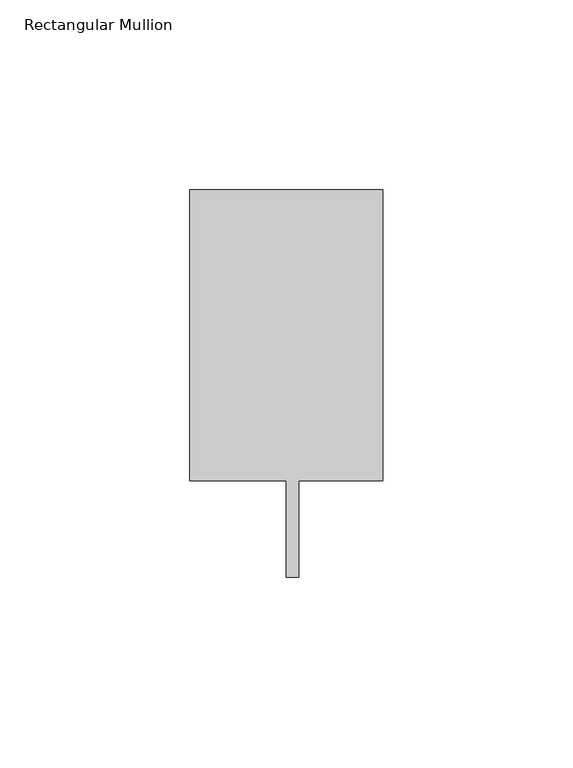
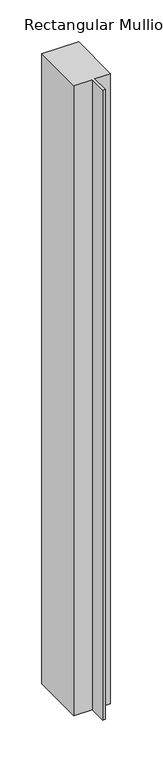
"""IFC4 building model written with IfcOpenShell, lengths in millimetres: member geometry, Rectangular Mullion."""

from ifc_helpers import new_model, si_unit, frame, origin, place, context, project, spatial, polyline, outline, extrude, source, transform, mapped, element, save


def rectangular_mullion_b0f9bc03(model_context):
    return source(origin(), model_context, "Body", "SweptSolid", [
        extrude(outline(polyline([(25.4, 89.296875), (25.4, 12.7), (3.175, 12.7), (3.175, -12.7), (0.0, -12.7), (0.0, 12.7), (-25.4, 12.7), (-25.4, 89.296875), (25.4, 89.296875)])), frame((0.0, 0.0, -920.75), z_axis=(0.0, 0.0, 1.0), x_axis=(1.0, 0.0, 0.0)), (0.0, 0.0, 1.0), 920.75),
    ])


if __name__ == "__main__":
    model = new_model("IFC4")
    model_context = context("Model", 3, world=origin())
    ifc_project = project(units=[si_unit("LENGTHUNIT", "METRE", prefix="MILLI")], contexts=[model_context])
    site = spatial("IfcSite", under=ifc_project)
    building = spatial("IfcBuilding", under=site)
    placement = place(None, origin())
    rectangular_mullion_shape = rectangular_mullion_b0f9bc03(model_context)
    element("IfcMember", 1, ObjectType="Rectangular Mullion", at=placement, inside=building, context=model_context, shape_type="MappedRepresentation", body=[
        mapped(rectangular_mullion_shape, transform((0.0, 0.0, 0.0), x_axis=(1.0, 0.0, 0.0), y_axis=(0.0, 1.0, 0.0), z_axis=(0.0, 0.0, 1.0))),
    ])
    save(model, "model.ifc")
